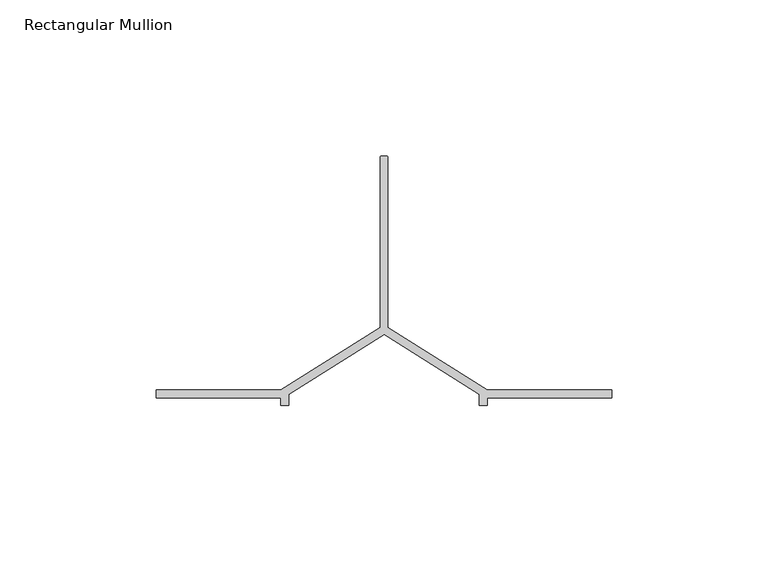
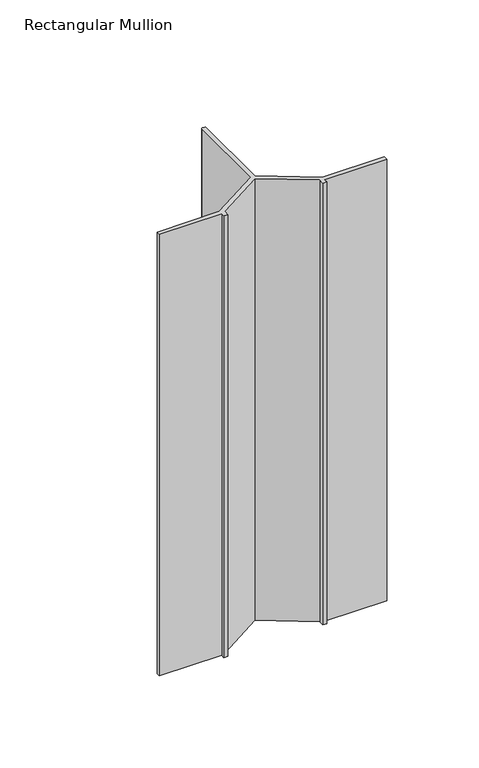
"""IFC4 building model written with IfcOpenShell, lengths in millimetres: member geometry, Rectangular Mullion."""

from ifc_helpers import new_model, si_unit, point, frame, frame_2d, origin, place, context, project, spatial, polyline, circle_curve, trimmed, segment, composite_curve, outline, extrude, source, transform, mapped, element, save


def rectangular_mullion_cd223068(model_context):
    return source(origin(), model_context, "Body", "SweptSolid", [
        extrude(outline(composite_curve([segment(polyline([(-73.75, -68.5), (-72.25, -68.5)]), True, "CONTINUOUS"), segment(trimmed(circle_curve(frame_2d((-72.25, -69.0)), 0.5), [point((-72.25, -68.5))], [point((-71.75, -69.0))], False, "CARTESIAN"), True, "CONTINUOUS"), segment(polyline([(-71.75, -69.0), (-71.75, -123.5), (-40.0, -143.5), (0.0, -143.5), (0.0, -146.0), (-40.0, -146.0), (-40.0, -148.5), (-42.5, -148.5), (-42.5, -144.879855), (-73.0, -125.6672566), (-103.5, -144.879855), (-103.5, -148.5), (-106.0, -148.5), (-106.0, -146.0), (-146.0, -146.0), (-146.0, -143.5), (-106.0, -143.5), (-74.25, -123.5), (-74.25, -69.0)]), True, "CONTINUOUS"), segment(trimmed(circle_curve(frame_2d((-73.75, -69.0)), 0.5), [point((-74.25, -69.0))], [point((-73.75, -68.5))], False, "CARTESIAN"), True, "CONTINUOUS")], self_intersect=False)), frame((0.0, 0.0, -300.0), z_axis=(0.0, 0.0, 1.0), x_axis=(1.0, 0.0, 0.0)), (0.0, 0.0, 1.0), 300.0),
    ])


if __name__ == "__main__":
    model = new_model("IFC4")
    model_context = context("Model", 3, world=origin())
    ifc_project = project(units=[si_unit("LENGTHUNIT", "METRE", prefix="MILLI")], contexts=[model_context])
    site = spatial("IfcSite", under=ifc_project)
    building = spatial("IfcBuilding", under=site)
    placement = place(None, origin())
    rectangular_mullion_shape = rectangular_mullion_cd223068(model_context)
    element("IfcMember", 1, ObjectType="Rectangular Mullion", at=placement, inside=building, context=model_context, shape_type="MappedRepresentation", body=[
        mapped(rectangular_mullion_shape, transform((0.0, 0.0, 0.0), x_axis=(1.0, 0.0, 0.0), y_axis=(0.0, 1.0, 0.0), z_axis=(0.0, 0.0, 1.0))),
    ])
    save(model, "model.ifc")
